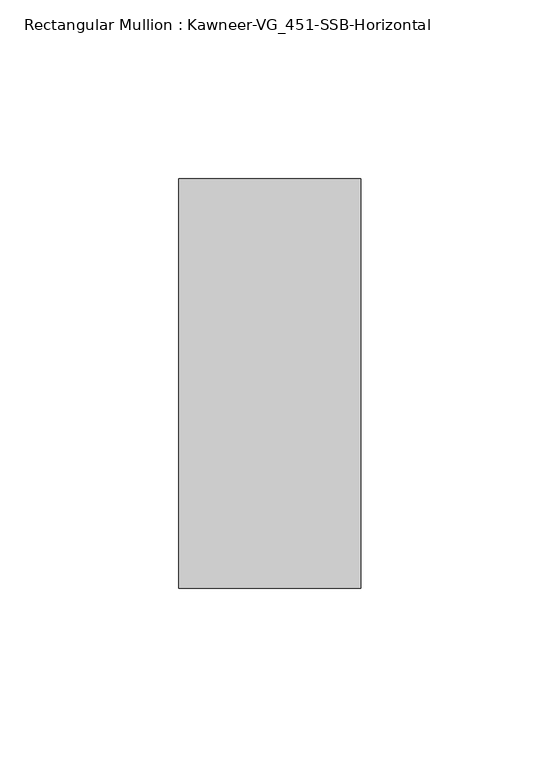
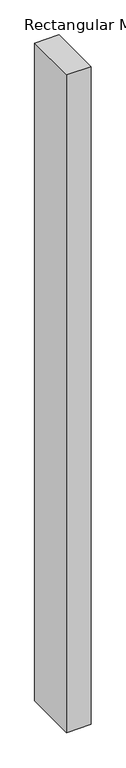
"""IFC4 building model written with IfcOpenShell, lengths in millimetres: member geometry, Rectangular Mullion : Kawneer-VG_451-SSB-Horizontal."""

from ifc_helpers import new_model, si_unit, frame, origin, place, context, project, spatial, polyline, outline, extrude, source, transform, mapped, element, save


def rectangular_mullion_kawneer_vg_451_ssb_horizontal_7eaaeb3d(model_context):
    return source(origin(), model_context, "Body", "SweptSolid", [
        extrude(outline(polyline([(25.4, 57.15), (25.4, -57.15), (-25.4, -57.15), (-25.4, 57.15), (25.4, 57.15)])), frame((0.0, 0.0, -1441.45), z_axis=(0.0, 0.0, 1.0), x_axis=(1.0, 0.0, 0.0)), (0.0, 0.0, 1.0), 1441.45),
    ])


if __name__ == "__main__":
    model = new_model("IFC4")
    model_context = context("Model", 3, world=origin())
    ifc_project = project(units=[si_unit("LENGTHUNIT", "METRE", prefix="MILLI")], contexts=[model_context])
    site = spatial("IfcSite", under=ifc_project)
    building = spatial("IfcBuilding", under=site)
    placement = place(None, origin())
    rectangular_mullion_kawneer_vg_451_ssb_horizontal_shape = rectangular_mullion_kawneer_vg_451_ssb_horizontal_7eaaeb3d(model_context)
    element("IfcMember", 1, ObjectType="Rectangular Mullion : Kawneer-VG_451-SSB-Horizontal", at=placement, inside=building, context=model_context, shape_type="MappedRepresentation", body=[
        mapped(rectangular_mullion_kawneer_vg_451_ssb_horizontal_shape, transform((0.0, 0.0, 0.0), x_axis=(1.0, 0.0, 0.0), y_axis=(0.0, 1.0, 0.0), z_axis=(0.0, 0.0, 1.0))),
    ])
    save(model, "model.ifc")
